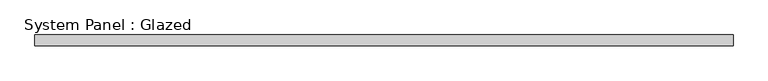
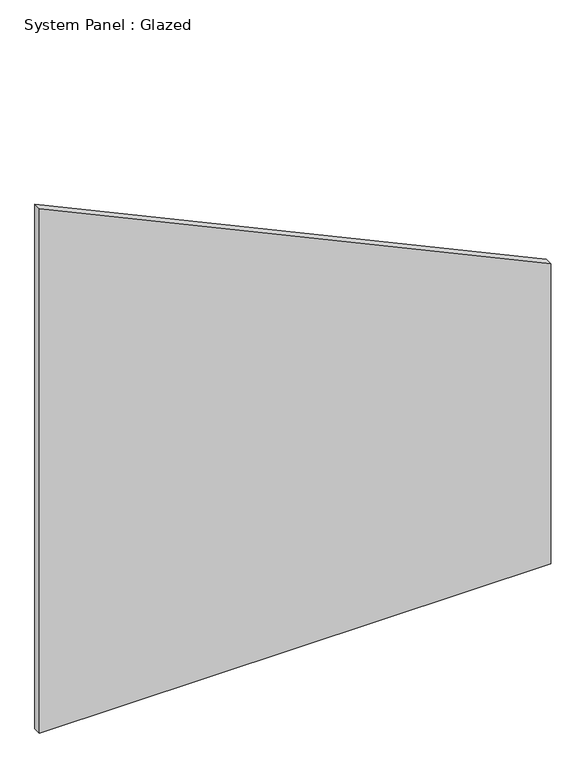
"""IFC4 building model written with IfcOpenShell, lengths in millimetres: plate geometry, System Panel : Glazed."""

from ifc_helpers import new_model, si_unit, frame, origin, place, context, project, spatial, polyline, outline, extrude, source, transform, mapped, element, save


def system_panel_glazed_7e0851e2(model_context):
    return source(origin(), model_context, "Body", "SweptSolid", [
        extrude(outline(polyline([(0.0, -808.6842105), (0.0, 808.6842105), (1003.3915727, 808.6842105), (1753.6892418, -808.6842105), (0.0, -808.6842105)])), frame((0.0, 52.5, 0.0), z_axis=(0.0, 1.0, 0.0), x_axis=(0.0, 0.0, 1.0)), (0.0, 0.0, 1.0), 25.0),
    ])


if __name__ == "__main__":
    model = new_model("IFC4")
    model_context = context("Model", 3, world=origin())
    ifc_project = project(units=[si_unit("LENGTHUNIT", "METRE", prefix="MILLI")], contexts=[model_context])
    site = spatial("IfcSite", under=ifc_project)
    building = spatial("IfcBuilding", under=site)
    placement = place(None, origin())
    system_panel_glazed_shape = system_panel_glazed_7e0851e2(model_context)
    element("IfcPlate", 1, ObjectType="System Panel : Glazed", at=placement, inside=building, context=model_context, shape_type="MappedRepresentation", body=[
        mapped(system_panel_glazed_shape, transform((0.0, 0.0, 0.0), x_axis=(1.0, 0.0, 0.0), y_axis=(0.0, 1.0, 0.0), z_axis=(0.0, 0.0, 1.0))),
    ])
    save(model, "model.ifc")
